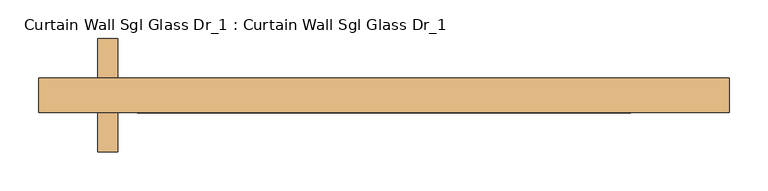
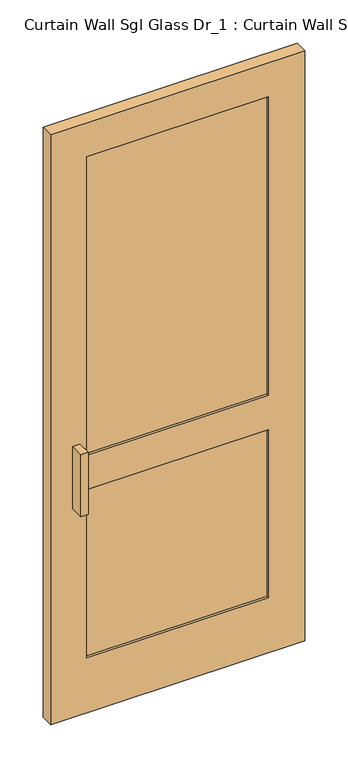
"""IFC4 building model written with IfcOpenShell, lengths in millimetres: door geometry, Curtain Wall Sgl Glass Dr_1 : Curtain Wall Sgl Glass Dr_1."""

from ifc_helpers import new_model, si_unit, frame, origin, place, context, project, spatial, polyline, outline, extrude, source, transform, mapped, element, save


def curtain_wall_sgl_glass_dr_1_curtain_wall_sgl_glass_dr_1_de31df71(model_context):
    return source(origin(), model_context, "Body", "SweptSolid", [
        extrude(outline(polyline([(317.5, -41.275), (-317.5, -41.275), (-317.5, -15.875), (317.5, -15.875), (317.5, -41.275)])), frame((0.0, 0.0, 203.2), z_axis=(0.0, 0.0, 1.0), x_axis=(1.0, 0.0, 0.0)), (0.0, 0.0, 1.0), 622.3),
        extrude(outline(polyline([(317.5, -41.275), (-317.5, -41.275), (-317.5, -15.875), (317.5, -15.875), (317.5, -41.275)])), frame((0.0, 0.0, 952.5), z_axis=(0.0, 0.0, 1.0), x_axis=(1.0, 0.0, 0.0)), (0.0, 0.0, 1.0), 1104.9),
        extrude(outline(polyline([(2184.4, -444.5), (0.0, -444.5), (0.0, 444.5), (2184.4, 444.5), (2184.4, -444.5)]), holes=[polyline([(2057.4, 317.5), (952.5, 317.5), (952.5, -317.5), (2057.4, -317.5), (2057.4, 317.5)]), polyline([(825.5, 317.5), (203.2, 317.5), (203.2, -317.5), (825.5, -317.5), (825.5, 317.5)])]), frame((0.0, -50.8, 0.0), z_axis=(0.0, 1.0, 0.0), x_axis=(0.0, 0.0, 1.0)), (0.0, 0.0, 1.0), 44.45),
        extrude(outline(polyline([(-342.9, 44.45), (-342.9, -6.35), (-368.3, -6.35), (-368.3, 44.45), (-342.9, 44.45)])), frame((0.0, 0.0, 774.7), z_axis=(0.0, 0.0, 1.0), x_axis=(1.0, 0.0, 0.0)), (0.0, 0.0, 1.0), 228.6),
        extrude(outline(polyline([(-368.3, -101.6), (-368.3, -50.8), (-342.9, -50.8), (-342.9, -101.6), (-368.3, -101.6)])), frame((0.0, 0.0, 774.7), z_axis=(0.0, 0.0, 1.0), x_axis=(1.0, 0.0, 0.0)), (0.0, 0.0, 1.0), 228.6),
    ])


if __name__ == "__main__":
    model = new_model("IFC4")
    model_context = context("Model", 3, world=origin())
    ifc_project = project(units=[si_unit("LENGTHUNIT", "METRE", prefix="MILLI")], contexts=[model_context])
    site = spatial("IfcSite", under=ifc_project)
    building = spatial("IfcBuilding", under=site)
    placement = place(None, origin())
    curtain_wall_sgl_glass_dr_1_curtain_wall_sgl_glass_dr_1_shape = curtain_wall_sgl_glass_dr_1_curtain_wall_sgl_glass_dr_1_de31df71(model_context)
    element("IfcDoor", 1, ObjectType="Curtain Wall Sgl Glass Dr_1 : Curtain Wall Sgl Glass Dr_1", at=placement, inside=building, context=model_context, shape_type="MappedRepresentation", body=[
        mapped(curtain_wall_sgl_glass_dr_1_curtain_wall_sgl_glass_dr_1_shape, transform((0.0, 0.0, 0.0), x_axis=(1.0, 0.0, 0.0), y_axis=(0.0, 1.0, 0.0), z_axis=(0.0, 0.0, 1.0))),
    ])
    save(model, "model.ifc")
